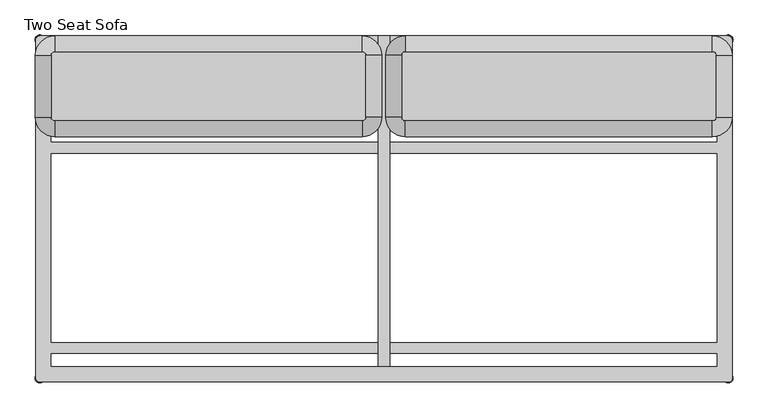
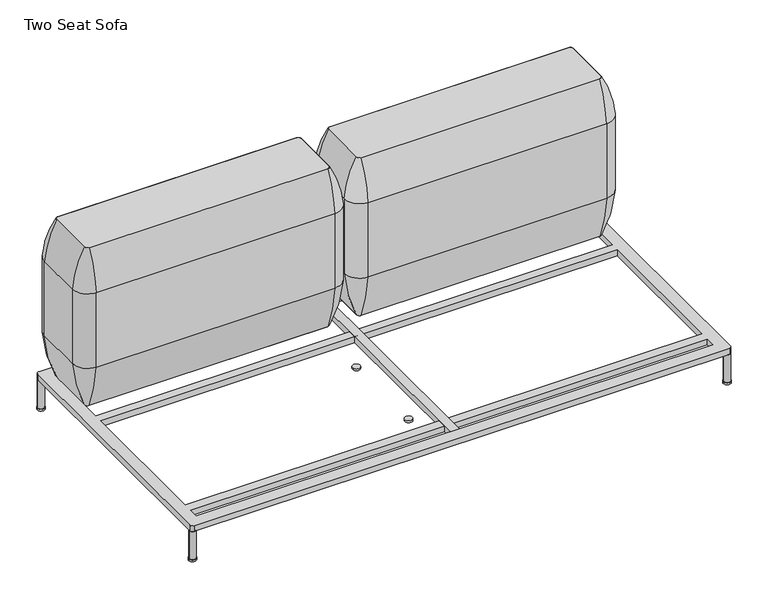
"""IFC4 building model written with IfcOpenShell, lengths in millimetres: furniture geometry, Two Seat Sofa."""

import ifcopenshell
import ifcopenshell.guid

model = None  # the IFC model being written
_history = None  # IfcOwnerHistory: only IFC2X3 demands one
_inside = {}  # id of a spatial element -> (the spatial element, [elements in it])
_under = {}  # id of a project, library or spatial element -> (it, [spatial elements below it])
_declared = {}  # id of a project -> (the project, [libraries it declares])
_typed = {}  # id of a type object -> (the type object, [elements of that type])
_made_of = {}  # id of a material, layer set ... -> (it, [elements and type objects made of it])


def new_model(schema):
    """Start an empty IFC model of exactly this schema.

    Asked for "IFC4X3", IfcOpenShell would pick the latest addendum, in which some entities
    have other attributes; the version numbers below select the first issue.
    IFC2X3 requires an IfcOwnerHistory on every rooted entity: one is made here for all.
    """
    global model, _history
    if schema == "IFC4X3":
        model = ifcopenshell.file(schema_version=(4, 3, 0, 0))
    else:
        model = ifcopenshell.file(schema=schema)
    _inside.clear()
    _under.clear()
    _declared.clear()
    _typed.clear()
    _made_of.clear()
    _history = None
    if model.schema == "IFC2X3":
        org = make("IfcOrganization", Name="unknown")
        user = make(
            "IfcPersonAndOrganization",
            ThePerson=make("IfcPerson", FamilyName="unknown"),
            TheOrganization=org,
        )
        app = make(
            "IfcApplication",
            ApplicationDeveloper=org,
            Version="unknown",
            ApplicationFullName="unknown",
            ApplicationIdentifier="unknown",
        )
        _history = make(
            "IfcOwnerHistory",
            OwningUser=user,
            OwningApplication=app,
            ChangeAction="ADDED",
            CreationDate=0,
        )
    return model


def make(cls, **values):
    """One entity of the class cls with the attributes given. An attribute that is None is left unset."""
    return model.create_entity(
        cls, **{name: value for name, value in values.items() if value is not None}
    )


def rooted(cls, **values):
    """An entity with a GlobalId (a new one), such as an element, a storey or a relation."""
    return make(cls, GlobalId=ifcopenshell.guid.new(), OwnerHistory=_history, **values)


def si_unit(unit_type, name, prefix=None):
    """IfcSIUnit, for example si_unit("LENGTHUNIT", "METRE", prefix="MILLI")."""
    return make("IfcSIUnit", UnitType=unit_type, Prefix=prefix, Name=name)


def assignment(units):
    """IfcUnitAssignment: the units of a project."""
    return None if units is None else make("IfcUnitAssignment", Units=units)


def point(xyz):
    """IfcCartesianPoint."""
    return None if xyz is None else make("IfcCartesianPoint", Coordinates=xyz)


def direction(xyz):
    """IfcDirection."""
    return None if xyz is None else make("IfcDirection", DirectionRatios=xyz)


def frame(location, z_axis=None, x_axis=None):
    """IfcAxis2Placement3D, a coordinate frame: its origin and axes. An axis left out is left unset."""
    return make(
        "IfcAxis2Placement3D",
        Location=point(location),
        Axis=direction(z_axis),
        RefDirection=direction(x_axis),
    )


def frame_2d(location, x_axis=None):
    """IfcAxis2Placement2D, a coordinate frame in the plane: its origin and x axis."""
    return make(
        "IfcAxis2Placement2D", Location=point(location), RefDirection=direction(x_axis)
    )


def origin():
    """The frame at (0, 0, 0) with its axes left unset."""
    return frame((0.0, 0.0, 0.0))


def origin_with_axes():
    """The frame at (0, 0, 0) with the z axis (0, 0, 1) and the x axis (1, 0, 0) written out."""
    return frame((0.0, 0.0, 0.0), z_axis=(0.0, 0.0, 1.0), x_axis=(1.0, 0.0, 0.0))


def place(relative_to, where):
    """IfcLocalPlacement: puts the frame where relative to a parent placement (None: the world)."""
    return make(
        "IfcLocalPlacement", PlacementRelTo=relative_to, RelativePlacement=where
    )


def context(
    kind, dimensions, precision=None, world=None, true_north=None, identifier=None
):
    """IfcGeometricRepresentationContext, for example the 3D "Model" context."""
    return make(
        "IfcGeometricRepresentationContext",
        ContextIdentifier=identifier,
        ContextType=kind,
        CoordinateSpaceDimension=dimensions,
        Precision=precision,
        WorldCoordinateSystem=world,
        TrueNorth=true_north,
    )


def project(units=None, contexts=None):
    """IfcProject with its units and contexts."""
    return rooted(
        "IfcProject",
        Name="project",
        RepresentationContexts=contexts,
        UnitsInContext=assignment(units),
    )


def spatial(cls, under=None, at=None, **own):
    """A site, building, storey or space (cls), placed at a placement, below another one or the project."""
    s = rooted(cls, ObjectPlacement=at, **own)
    if under is not None:
        _under.setdefault(under.id(), (under, []))[1].append(s)
    return s


def polyline(points):
    """IfcPolyline through the points."""
    return make("IfcPolyline", Points=[point(p) for p in points])


def circle_curve(where, radius):
    """IfcCircle in the frame where."""
    return make("IfcCircle", Position=where, Radius=radius)


def ellipse_curve(where, semi_axis1, semi_axis2):
    """IfcEllipse in the frame where."""
    return make(
        "IfcEllipse", Position=where, SemiAxis1=semi_axis1, SemiAxis2=semi_axis2
    )


def trimmed(basis, trim1, trim2, sense, master):
    """IfcTrimmedCurve: the piece of a basis curve between two trims."""
    return make(
        "IfcTrimmedCurve",
        BasisCurve=basis,
        Trim1=trim1,
        Trim2=trim2,
        SenseAgreement=sense,
        MasterRepresentation=master,
    )


def segment(curve, same_sense, transition):
    """IfcCompositeCurveSegment."""
    return make(
        "IfcCompositeCurveSegment",
        Transition=transition,
        SameSense=same_sense,
        ParentCurve=curve,
    )


def composite_curve(segments, self_intersect=None):
    """IfcCompositeCurve: segments joined end to end."""
    return make("IfcCompositeCurve", Segments=segments, SelfIntersect=self_intersect)


def outline(outer, holes=None, kind="AREA"):
    """IfcArbitraryClosedProfileDef: a profile drawn as a closed curve; with holes, ...WithVoids."""
    if holes is None:
        return make("IfcArbitraryClosedProfileDef", ProfileType=kind, OuterCurve=outer)
    return make(
        "IfcArbitraryProfileDefWithVoids",
        ProfileType=kind,
        OuterCurve=outer,
        InnerCurves=holes,
    )


def extrude(swept, where, along, depth):
    """IfcExtrudedAreaSolid: the profile swept, set in the frame where, extruded along a direction by depth."""
    return make(
        "IfcExtrudedAreaSolid",
        SweptArea=swept,
        Position=where,
        ExtrudedDirection=direction(along),
        Depth=depth,
    )


def shape(context_of_items, identifier, shape_type, items):
    """IfcShapeRepresentation: the items that make up one representation, for example the "Body"."""
    return make(
        "IfcShapeRepresentation",
        ContextOfItems=context_of_items,
        RepresentationIdentifier=identifier,
        RepresentationType=shape_type,
        Items=items,
    )


def source(mapping_origin, context_of_items, identifier, shape_type, items):
    """IfcRepresentationMap: a shape defined once, which mapped items show again and again."""
    return make(
        "IfcRepresentationMap",
        MappingOrigin=mapping_origin,
        MappedRepresentation=shape(context_of_items, identifier, shape_type, items),
    )


def transform(
    local_origin,
    x_axis=None,
    y_axis=None,
    z_axis=None,
    scale=None,
    scale2=None,
    scale3=None,
    uniform=True,
):
    """IfcCartesianTransformationOperator3D, or its non-uniform kind. x_axis, y_axis, z_axis: its Axis1, 2, 3."""
    if uniform:
        return make(
            "IfcCartesianTransformationOperator3D",
            Axis1=direction(x_axis),
            Axis2=direction(y_axis),
            LocalOrigin=point(local_origin),
            Scale=scale,
            Axis3=direction(z_axis),
        )
    return make(
        "IfcCartesianTransformationOperator3DnonUniform",
        Axis1=direction(x_axis),
        Axis2=direction(y_axis),
        LocalOrigin=point(local_origin),
        Scale=scale,
        Axis3=direction(z_axis),
        Scale2=scale2,
        Scale3=scale3,
    )


def mapped(mapping_source, mapping_target):
    """IfcMappedItem: shows the shape of a source again, moved by a transform."""
    return make(
        "IfcMappedItem", MappingSource=mapping_source, MappingTarget=mapping_target
    )


def made_of(thing, what):
    """Note that an element or type object is made of a material, layer set ...; save() writes the relation."""
    if what is not None:
        _made_of.setdefault(what.id(), (what, []))[1].append(thing)
    return thing


def element(
    cls,
    number,
    at=None,
    inside=None,
    cuts=None,
    type_object=None,
    material=None,
    context=None,
    identifier="Body",
    shape_type=None,
    held_by="IfcProductDefinitionShape",
    body=None,
    shapes=None,
    **own,
):
    """One element of the class cls, such as IfcWall. Its Tag is "e" and its number.

    at: its placement. inside: the storey or other place that contains it. cuts: it is an
    opening in that element (IfcRelVoidsElement). A single representation is given by context,
    identifier, shape_type and body (its items); several are given by shapes. held_by: the class
    of the entity that holds the representations. save() writes the other relations.
    """
    e = rooted(cls, Tag="e%d" % number, ObjectPlacement=at, **own)
    if body is not None:
        shapes = [shape(context, identifier, shape_type, body)]
    if shapes is not None:
        e.Representation = make(held_by, Representations=shapes)
    if inside is not None:
        _inside.setdefault(inside.id(), (inside, []))[1].append(e)
    if cuts is not None:
        rooted(
            "IfcRelVoidsElement", RelatingBuildingElement=cuts, RelatedOpeningElement=e
        )
    if type_object is not None:
        _typed.setdefault(type_object.id(), (type_object, []))[1].append(e)
    return made_of(e, material)


def aggregate(whole, parts):
    """IfcRelAggregates: a whole, such as a stair, and the parts it consists of."""
    return rooted("IfcRelAggregates", RelatingObject=whole, RelatedObjects=parts)


def save(model, path):
    """Write the relations noted so far, then the file.

    IfcRelAggregates (storeys below a building ...), IfcRelContainedInSpatialStructure (elements
    in a storey), IfcRelDefinesByType, IfcRelAssociatesMaterial and IfcRelDeclares: one each for
    every whole, place, type object, material and project.
    """
    for whole, parts in _under.values():
        aggregate(whole, parts)
    for where, things in _inside.values():
        rooted(
            "IfcRelContainedInSpatialStructure",
            RelatedElements=things,
            RelatingStructure=where,
        )
    for kind, things in _typed.values():
        rooted("IfcRelDefinesByType", RelatedObjects=things, RelatingType=kind)
    for what, things in _made_of.values():
        rooted("IfcRelAssociatesMaterial", RelatedObjects=things, RelatingMaterial=what)
    for by, libraries in _declared.values():
        rooted("IfcRelDeclares", RelatingContext=by, RelatedDefinitions=libraries)
    model.write(path)


def plane_surface(at):
    """IfcPlane: the flat surface through the origin of the frame at, square to its z axis."""
    return make("IfcPlane", Position=at)


def cylinder_surface(at, radius):
    """IfcCylindricalSurface: all points at the distance radius from the z axis of the frame at."""
    return make("IfcCylindricalSurface", Position=at, Radius=radius)


def revolved_surface(curve, axis_point, axis_direction):
    """IfcSurfaceOfRevolution: the curve turned about the line through axis_point along axis_direction."""
    return make(
        "IfcSurfaceOfRevolution",
        SweptCurve=make("IfcArbitraryOpenProfileDef", ProfileType="CURVE", Curve=curve),
        AxisPosition=make("IfcAxis1Placement", Location=point(axis_point), Axis=direction(axis_direction)),
    )


def advanced_brep(points, edges, surfaces, faces):
    """IfcAdvancedBrep: a solid bounded by faces that lie on surfaces and meet in shared edges.

    An edge is (start, end): straight between two places in points (the first is 0);
    or (start, end, curve); or (start, end, curve, False) where it runs against its curve.
    A face is (place in surfaces, loops), or (place, loops, False) where it looks against
    its surface's normal. A loop lists edges by number (the first is 1), with a minus sign
    where the edge is run from its end to its start. The first loop is the outer one.
    """
    corners = [point(p) for p in points]
    vertices = [make("IfcVertexPoint", VertexGeometry=c) for c in corners]
    made = []
    for start, end, *more in edges:
        made.append(
            make(
                "IfcEdgeCurve",
                EdgeStart=vertices[start],
                EdgeEnd=vertices[end],
                EdgeGeometry=more[0] if more else make("IfcPolyline", Points=[corners[start], corners[end]]),
                SameSense=more[1] if len(more) > 1 else True,
            )
        )
    hull = []
    for where, loops, *sense in faces:
        bounds = []
        for j, loop in enumerate(loops):
            ring = [make("IfcOrientedEdge", EdgeElement=made[abs(k) - 1], Orientation=k > 0) for k in loop]
            bounds.append(
                make(
                    "IfcFaceOuterBound" if j == 0 else "IfcFaceBound",
                    Bound=make("IfcEdgeLoop", EdgeList=ring),
                    Orientation=True,
                )
            )
        hull.append(make("IfcAdvancedFace", Bounds=bounds, FaceSurface=surfaces[where], SameSense=sense[0] if sense else True))
    return make("IfcAdvancedBrep", Outer=make("IfcClosedShell", CfsFaces=hull))


def two_seat_sofa_a5a213db(model_context):
    return source(origin(), model_context, "Body", "SolidModel", [
        extrude(outline(composite_curve([segment(trimmed(circle_curve(frame_2d((-155.4452882, -433.7002937)), 12.5000005), [point((-167.9452886, -433.7002937))], [point((-142.9452877, -433.7002937))], False, "CARTESIAN"), True, "CONTINUOUS"), segment(trimmed(circle_curve(frame_2d((-155.4452882, -433.7002937)), 12.5000005), [point((-142.9452877, -433.7002937))], [point((-167.9452886, -433.7002937))], False, "CARTESIAN"), True, "CONTINUOUS")], self_intersect=False)), origin_with_axes(), (0.0, 0.0, 1.0), 6.0),
        extrude(outline(composite_curve([segment(trimmed(circle_curve(frame_2d((-155.4452882, -133.6667163)), 12.5000005), [point((-167.9452886, -133.6667163))], [point((-142.9452877, -133.6667163))], False, "CARTESIAN"), True, "CONTINUOUS"), segment(trimmed(circle_curve(frame_2d((-155.4452882, -133.6667163)), 12.5000005), [point((-142.9452877, -133.6667163))], [point((-167.9452886, -133.6667163))], False, "CARTESIAN"), True, "CONTINUOUS")], self_intersect=False)), origin_with_axes(), (0.0, 0.0, 1.0), 6.0),
        extrude(outline(polyline([(-169.7406049, -696.2002953), (-169.7406049, 153.6358637), (-139.7406192, 153.6358637), (-139.7406192, -696.2002953), (-169.7406049, -696.2002953)])), frame((0.0, 0.0, 103.6569541), z_axis=(0.0, 0.0, 1.0), x_axis=(1.0, 0.0, 0.0)), (0.0, 0.0, 1.0), 20.3430443),
        extrude(outline(composite_curve([segment(trimmed(circle_curve(frame_2d((-1040.100311, 143.787786)), 12.5000005), [point((-1052.6003115, 143.787786))], [point((-1027.6003105, 143.787786))], False, "CARTESIAN"), True, "CONTINUOUS"), segment(trimmed(circle_curve(frame_2d((-1040.100311, 143.787786)), 12.5000005), [point((-1027.6003105, 143.787786))], [point((-1052.6003115, 143.787786))], False, "CARTESIAN"), True, "CONTINUOUS")], self_intersect=False)), origin_with_axes(), (0.0, 0.0, 1.0), 6.0),
        extrude(outline(composite_curve([segment(trimmed(circle_curve(frame_2d((-1040.100311, -726.2491859)), 12.5000005), [point((-1052.6003115, -726.2491859))], [point((-1027.6003105, -726.2491859))], False, "CARTESIAN"), True, "CONTINUOUS"), segment(trimmed(circle_curve(frame_2d((-1040.100311, -726.2491859)), 12.5000005), [point((-1027.6003105, -726.2491859))], [point((-1052.6003115, -726.2491859))], False, "CARTESIAN"), True, "CONTINUOUS")], self_intersect=False)), origin_with_axes(), (0.0, 0.0, 1.0), 6.0),
        extrude(outline(composite_curve([segment(trimmed(circle_curve(frame_2d((730.7972347, 143.787786)), 12.5000005), [point((718.2972342, 143.787786))], [point((743.2972352, 143.787786))], False, "CARTESIAN"), True, "CONTINUOUS"), segment(trimmed(circle_curve(frame_2d((730.7972347, 143.787786)), 12.5000005), [point((743.2972352, 143.787786))], [point((718.2972342, 143.787786))], False, "CARTESIAN"), True, "CONTINUOUS")], self_intersect=False)), origin_with_axes(), (0.0, 0.0, 1.0), 6.0),
        extrude(outline(composite_curve([segment(trimmed(circle_curve(frame_2d((730.7026028, -726.2033172)), 12.5000005), [point((718.2026024, -726.2033172))], [point((743.2026033, -726.2033172))], False, "CARTESIAN"), True, "CONTINUOUS"), segment(trimmed(circle_curve(frame_2d((730.7026028, -726.2033172)), 12.5000005), [point((743.2026033, -726.2033172))], [point((718.2026024, -726.2033172))], False, "CARTESIAN"), True, "CONTINUOUS")], self_intersect=False)), origin_with_axes(), (0.0, 0.0, 1.0), 6.0),
        extrude(outline(composite_curve([segment(trimmed(circle_curve(frame_2d((-1040.100311, 143.787786)), 10.4664203), [point((-1050.5667314, 143.787786))], [point((-1029.6338907, 143.787786))], False, "CARTESIAN"), True, "CONTINUOUS"), segment(trimmed(circle_curve(frame_2d((-1040.100311, 143.787786)), 10.4664203), [point((-1029.6338907, 143.787786))], [point((-1050.5667314, 143.787786))], False, "CARTESIAN"), True, "CONTINUOUS")], self_intersect=False)), origin_with_axes(), (0.0, 0.0, 1.0), 103.6569541),
        extrude(outline(composite_curve([segment(trimmed(circle_curve(frame_2d((730.7717227, -726.1628448)), 10.4664203), [point((720.3053024, -726.1628448))], [point((741.2381431, -726.1628448))], False, "CARTESIAN"), True, "CONTINUOUS"), segment(trimmed(circle_curve(frame_2d((730.7717227, -726.1628448)), 10.4664203), [point((741.2381431, -726.1628448))], [point((720.3053024, -726.1628448))], False, "CARTESIAN"), True, "CONTINUOUS")], self_intersect=False)), origin_with_axes(), (0.0, 0.0, 1.0), 103.6569541),
        extrude(outline(composite_curve([segment(trimmed(circle_curve(frame_2d((730.8502147, 143.7799368)), 10.4664203), [point((720.3837944, 143.7799368))], [point((741.316635, 143.7799368))], False, "CARTESIAN"), True, "CONTINUOUS"), segment(trimmed(circle_curve(frame_2d((730.8502147, 143.7799368)), 10.4664203), [point((741.316635, 143.7799368))], [point((720.3837944, 143.7799368))], False, "CARTESIAN"), True, "CONTINUOUS")], self_intersect=False)), origin_with_axes(), (0.0, 0.0, 1.0), 103.6569541),
        extrude(outline(composite_curve([segment(trimmed(circle_curve(frame_2d((-1040.0289857, -726.0945909)), 10.4664203), [point((-1050.4954061, -726.0945909))], [point((-1029.5625654, -726.0945909))], False, "CARTESIAN"), True, "CONTINUOUS"), segment(trimmed(circle_curve(frame_2d((-1040.0289857, -726.0945909)), 10.4664203), [point((-1029.5625654, -726.0945909))], [point((-1050.4954061, -726.0945909))], False, "CARTESIAN"), True, "CONTINUOUS")], self_intersect=False)), origin_with_axes(), (0.0, 0.0, 1.0), 103.6569541),
        extrude(outline(composite_curve([segment(polyline([(-1040.5463796, 153.6358637), (731.0651554, 153.6358637)]), True, "CONTINUOUS"), segment(trimmed(circle_curve(frame_2d((731.0651554, 144.0819322)), 9.5539314), [point((731.0651554, 153.6358637))], [point((740.6190868, 144.0819322))], False, "CARTESIAN"), True, "CONTINUOUS"), segment(polyline([(740.6190868, 144.0819322), (740.6190868, -728.9954927)]), True, "CONTINUOUS"), segment(trimmed(circle_curve(frame_2d((733.4261728, -728.9954927)), 7.192914), [point((740.6190868, -728.9954927))], [point((733.4261728, -736.1884068))], False, "CARTESIAN"), True, "CONTINUOUS"), segment(polyline([(733.4261728, -736.1884068), (-1040.2975349, -736.1884068)]), True, "CONTINUOUS"), segment(trimmed(circle_curve(frame_2d((-1040.2975349, -726.3856306)), 9.8027761), [point((-1040.2975349, -736.1884068))], [point((-1050.100311, -726.3856306))], False, "CARTESIAN"), True, "CONTINUOUS"), segment(polyline([(-1050.100311, -726.3856306), (-1050.100311, 144.0819322)]), True, "CONTINUOUS"), segment(trimmed(circle_curve(frame_2d((-1040.5463796, 144.0819322)), 9.5539314), [point((-1050.100311, 144.0819322))], [point((-1040.5463796, 153.6358637))], False, "CARTESIAN"), True, "CONTINUOUS")], self_intersect=False), holes=[polyline([(-1010.1122296, -663.7579623), (-1010.1122296, -696.2002953), (700.7208076, -696.2002953), (700.7208076, -663.7579623), (-1010.1122296, -663.7579623)]), polyline([(-1010.1122296, 113.7997046), (-1010.1122296, 81.2997034), (700.7208076, 81.2997034), (700.7208076, 113.7997046), (-1010.1122296, 113.7997046)]), polyline([(-1010.1122296, -148.700302), (-1010.1122296, -633.7579584), (700.7208076, -633.7579584), (700.7208076, -148.700302), (-1010.1122296, -148.700302)]), polyline([(700.7208076, 51.2996995), (-1010.1122296, 51.2996995), (-1010.1122296, -118.7002981), (700.7208076, -118.7002981), (700.7208076, 51.2996995)])]), frame((0.0, 0.0, 103.6569541), z_axis=(0.0, 0.0, 1.0), x_axis=(1.0, 0.0, 0.0)), (0.0, 0.0, 1.0), 20.3430443),
        advanced_brep(
        [(-1051.4768538, 103.5149266, 283.1115097), (-1051.4768538, -55.2078555, 283.1115097), (-1051.4768538, -55.2078555, 543.4615097), (-1051.4768538, 103.5149266, 543.4615097), (-1010.7505465, 103.5149266, 123.9999984), (-1010.7505465, -55.2078555, 123.9999984), (-1010.7505465, 103.5149266, 676.7599216), (-1010.7505465, -55.2078555, 676.7599216), (-1000.9254713, -105.759238, 283.1115097), (-211.1988444, -105.759238, 283.1115097), (-211.1988444, -105.759238, 543.4615097), (-1000.9254713, -105.759238, 543.4615097), (-1000.9254713, -65.0329307, 123.9999984), (-211.1988444, -65.0329307, 123.9999984), (-1000.9254713, -65.0329307, 676.7599216), (-211.1988444, -65.0329307, 676.7599216), (-160.6474619, -55.2078555, 283.1115097), (-160.6474619, 103.5149266, 283.1115097), (-160.6474619, 103.5149266, 543.4615097), (-160.6474619, -55.2078555, 543.4615097), (-201.3737692, -55.2078555, 123.9999984), (-201.3737692, 103.5149266, 123.9999984), (-201.3737692, -55.2078555, 676.7599216), (-201.3737692, 103.5149266, 676.7599216), (-211.1988444, 154.0663091, 283.1115097), (-1000.9254713, 154.0663091, 283.1115097), (-1000.9254713, 154.0663091, 543.4615097), (-211.1988444, 154.0663091, 543.4615097), (-211.1988444, 113.3400018, 123.9999984), (-1000.9254713, 113.3400018, 123.9999984), (-211.1988444, 113.3400018, 676.7599216), (-1000.9254713, 113.3400018, 676.7599216)],
        [
            (0, 1),
            (1, 2, circle_curve(frame((755.0107884, -55.2078555, 413.2865097), z_axis=(0.0, 1.0, 0.0), x_axis=(-1.0, 0.0, 0.0)), 1811.1717567)),
            (2, 3),
            (3, 0, circle_curve(frame((755.0107884, 103.5149266, 413.2865097), z_axis=(0.0, -1.0, 0.0), x_axis=(-1.0, 0.0, 0.0)), 1811.1717567)),
            (4, 5),
            (5, 1, circle_curve(frame((-590.5337586, -55.2078555, 316.3269417), z_axis=(0.0, 1.0, 0.0), x_axis=(-1.0, 0.0, 0.0)), 462.1382931)),
            (0, 4, circle_curve(frame((-590.5337586, 103.5149266, 316.3269417), z_axis=(0.0, -1.0, 0.0), x_axis=(-1.0, 0.0, 0.0)), 462.1382931)),
            (6, 7),
            (7, 5),
            (4, 6),
            (8, 9),
            (9, 10, circle_curve(frame((-211.1988444, 1700.7284043, 413.2865097), z_axis=(-1.0, 0.0, 0.0), x_axis=(0.0, -1.0, 0.0)), 1811.1717567)),
            (10, 11),
            (11, 8, circle_curve(frame((-1000.9254713, 1700.7284043, 413.2865097), z_axis=(1.0, 0.0, 0.0), x_axis=(0.0, -1.0, 0.0)), 1811.1717567)),
            (12, 13),
            (13, 9, circle_curve(frame((-211.1988444, 355.1838572, 316.3269417), z_axis=(-1.0, 0.0, 0.0), x_axis=(0.0, -1.0, 0.0)), 462.1382931)),
            (8, 12, circle_curve(frame((-1000.9254713, 355.1838572, 316.3269417), z_axis=(1.0, 0.0, 0.0), x_axis=(0.0, -1.0, 0.0)), 462.1382931)),
            (14, 15),
            (15, 13),
            (12, 14),
            (16, 17),
            (17, 18, circle_curve(frame((-1967.1351041, 103.5149266, 413.2865097), z_axis=(0.0, -1.0, 0.0), x_axis=(1.0, 0.0, 0.0)), 1811.1717567)),
            (18, 19),
            (19, 16, circle_curve(frame((-1967.1351041, -55.2078555, 413.2865097), z_axis=(0.0, 1.0, 0.0), x_axis=(1.0, 0.0, 0.0)), 1811.1717567)),
            (20, 21),
            (21, 17, circle_curve(frame((-621.5905571, 103.5149266, 316.3269417), z_axis=(0.0, -1.0, 0.0), x_axis=(1.0, 0.0, 0.0)), 462.1382931)),
            (16, 20, circle_curve(frame((-621.5905571, -55.2078555, 316.3269417), z_axis=(0.0, 1.0, 0.0), x_axis=(1.0, 0.0, 0.0)), 462.1382931)),
            (22, 23),
            (23, 21),
            (20, 22),
            (24, 25),
            (25, 26, circle_curve(frame((-1000.9254713, -1652.4213331, 413.2865097), z_axis=(1.0, 0.0, 0.0), x_axis=(0.0, 1.0, 0.0)), 1811.1717567)),
            (26, 27),
            (27, 24, circle_curve(frame((-211.1988444, -1652.4213331, 413.2865097), z_axis=(-1.0, 0.0, 0.0), x_axis=(0.0, 1.0, 0.0)), 1811.1717567)),
            (28, 29),
            (29, 25, circle_curve(frame((-1000.9254713, -306.8767861, 316.3269417), z_axis=(1.0, 0.0, 0.0), x_axis=(0.0, 1.0, 0.0)), 462.1382931)),
            (24, 28, circle_curve(frame((-211.1988444, -306.8767861, 316.3269417), z_axis=(-1.0, 0.0, 0.0), x_axis=(0.0, 1.0, 0.0)), 462.1382931)),
            (30, 31),
            (31, 29),
            (28, 30),
            (3, 26, circle_curve(frame((-1000.9254713, 103.5149266, 543.4615097), z_axis=(0.0, 0.0, -1.0), x_axis=(0.0, 1.0, 0.0)), 50.5513825)),
            (25, 0, circle_curve(frame((-1000.9254713, 103.5149266, 283.1115097), z_axis=(0.0, 0.0, 1.0), x_axis=(0.0, 1.0, 0.0)), 50.5513825)),
            (29, 4, circle_curve(frame((-1000.9254713, 103.5149266, 123.9999984), z_axis=(0.0, 0.0, 1.0), x_axis=(0.0, 1.0, 0.0)), 9.8250752)),
            (31, 6, circle_curve(frame((-1000.9254713, 103.5149266, 676.7599216), z_axis=(0.0, 0.0, 1.0), x_axis=(0.0, 1.0, 0.0)), 9.8250752)),
            (11, 2, circle_curve(frame((-1000.9254713, -55.2078555, 543.4615097), z_axis=(0.0, 0.0, -1.0), x_axis=(-1.0, 0.0, 0.0)), 50.5513825)),
            (1, 8, circle_curve(frame((-1000.9254713, -55.2078555, 283.1115097), z_axis=(0.0, 0.0, 1.0), x_axis=(-1.0, 0.0, 0.0)), 50.5513825)),
            (5, 12, circle_curve(frame((-1000.9254713, -55.2078555, 123.9999984), z_axis=(0.0, 0.0, 1.0), x_axis=(-1.0, 0.0, 0.0)), 9.8250752)),
            (7, 14, circle_curve(frame((-1000.9254713, -55.2078555, 676.7599216), z_axis=(0.0, 0.0, 1.0), x_axis=(-1.0, 0.0, 0.0)), 9.8250752)),
            (19, 10, circle_curve(frame((-211.1988444, -55.2078555, 543.4615097), z_axis=(0.0, 0.0, -1.0), x_axis=(0.0, -1.0, 0.0)), 50.5513825)),
            (9, 16, circle_curve(frame((-211.1988444, -55.2078555, 283.1115097), z_axis=(0.0, 0.0, 1.0), x_axis=(0.0, -1.0, 0.0)), 50.5513825)),
            (13, 20, circle_curve(frame((-211.1988444, -55.2078555, 123.9999984), z_axis=(0.0, 0.0, 1.0), x_axis=(0.0, -1.0, 0.0)), 9.8250752)),
            (15, 22, circle_curve(frame((-211.1988444, -55.2078555, 676.7599216), z_axis=(0.0, 0.0, 1.0), x_axis=(0.0, -1.0, 0.0)), 9.8250752)),
            (27, 18, circle_curve(frame((-211.1988444, 103.5149266, 543.4615097), z_axis=(0.0, 0.0, -1.0), x_axis=(1.0, 0.0, 0.0)), 50.5513825)),
            (17, 24, circle_curve(frame((-211.1988444, 103.5149266, 283.1115097), z_axis=(0.0, 0.0, 1.0), x_axis=(1.0, 0.0, 0.0)), 50.5513825)),
            (21, 28, circle_curve(frame((-211.1988444, 103.5149266, 123.9999984), z_axis=(0.0, 0.0, 1.0), x_axis=(1.0, 0.0, 0.0)), 9.8250752)),
            (23, 30, circle_curve(frame((-211.1988444, 103.5149266, 676.7599216), z_axis=(0.0, 0.0, 1.0), x_axis=(1.0, 0.0, 0.0)), 9.8250752)),
            (3, 6, circle_curve(frame((-739.3534366, 103.5149266, 520.9699825), z_axis=(0.0, 1.0, 0.0), x_axis=(-1.0, 0.0, 0.0)), 312.9327346)),
            (31, 26, circle_curve(frame((-1000.9254713, -158.0571081, 520.9699825), z_axis=(-1.0, 0.0, 0.0), x_axis=(0.0, 1.0, 0.0)), 312.9327346)),
            (2, 7, circle_curve(frame((-739.3534366, -55.2078555, 520.9699825), z_axis=(0.0, 1.0, 0.0), x_axis=(-1.0, 0.0, 0.0)), 312.9327346)),
            (11, 14, circle_curve(frame((-1000.9254713, 206.3641793, 520.9699825), z_axis=(-1.0, 0.0, 0.0), x_axis=(0.0, -1.0, 0.0)), 312.9327346)),
            (10, 15, circle_curve(frame((-211.1988444, 206.3641793, 520.9699825), z_axis=(-1.0, 0.0, 0.0), x_axis=(0.0, -1.0, 0.0)), 312.9327346)),
            (19, 22, circle_curve(frame((-472.7708791, -55.2078555, 520.9699825), z_axis=(0.0, -1.0, 0.0), x_axis=(1.0, 0.0, 0.0)), 312.9327346)),
            (18, 23, circle_curve(frame((-472.7708791, 103.5149266, 520.9699825), z_axis=(0.0, -1.0, 0.0), x_axis=(1.0, 0.0, 0.0)), 312.9327346)),
            (27, 30, circle_curve(frame((-211.1988444, -158.0571081, 520.9699825), z_axis=(1.0, 0.0, 0.0), x_axis=(0.0, 1.0, 0.0)), 312.9327346)),
        ],
        [
            cylinder_surface(frame((755.0107884, 103.5149266, 413.2865097), z_axis=(0.0, 1.0, 0.0), x_axis=(-1.0, 0.0, 0.0)), 1811.1717567),
            cylinder_surface(frame((-590.5337586, 103.5149266, 316.3269417), z_axis=(0.0, 1.0, 0.0), x_axis=(-1.0, 0.0, 0.0)), 462.1382931),
            plane_surface(frame((-1010.7505465, 103.5149266, 123.9999984), z_axis=(1.0, 0.0, 0.0), x_axis=(0.0, -1.0, 0.0))),
            cylinder_surface(frame((-1000.9254713, 1700.7284043, 413.2865097), z_axis=(-1.0, 0.0, 0.0), x_axis=(0.0, -1.0, 0.0)), 1811.1717567),
            cylinder_surface(frame((-1000.9254713, 355.1838572, 316.3269417), z_axis=(-1.0, 0.0, 0.0), x_axis=(0.0, -1.0, 0.0)), 462.1382931),
            plane_surface(frame((-1000.9254713, -65.0329307, 123.9999984), z_axis=(0.0, 1.0, 0.0), x_axis=(1.0, 0.0, 0.0))),
            cylinder_surface(frame((-1967.1351041, -55.2078555, 413.2865097), z_axis=(0.0, -1.0, 0.0), x_axis=(1.0, 0.0, 0.0)), 1811.1717567),
            cylinder_surface(frame((-621.5905571, -55.2078555, 316.3269417), z_axis=(0.0, -1.0, 0.0), x_axis=(1.0, 0.0, 0.0)), 462.1382931),
            plane_surface(frame((-201.3737692, -55.2078555, 123.9999984), z_axis=(-1.0, 0.0, 0.0), x_axis=(0.0, 1.0, 0.0))),
            cylinder_surface(frame((-211.1988444, -1652.4213331, 413.2865097), z_axis=(1.0, 0.0, 0.0), x_axis=(0.0, 1.0, 0.0)), 1811.1717567),
            cylinder_surface(frame((-211.1988444, -306.8767861, 316.3269417), z_axis=(1.0, 0.0, 0.0), x_axis=(0.0, 1.0, 0.0)), 462.1382931),
            plane_surface(frame((-211.1988444, 113.3400018, 123.9999984), z_axis=(0.0, -1.0, 0.0), x_axis=(-1.0, 0.0, 0.0))),
            revolved_surface(trimmed(ellipse_curve(frame((-1000.9254713, -1652.4213331, 413.2865097), z_axis=(-1.0, 0.0, 0.0), x_axis=(0.0, 1.0, 0.0)), 1811.1717567, 1811.1717567), [point((-1000.9254713, 154.0663091, 543.4615097))], [point((-1000.9254713, 154.0663091, 283.1115097))], True, "CARTESIAN"), (-1000.9254713, 103.5149266, -1.2587073), (0.0, 0.0, -1.0)),
            revolved_surface(trimmed(ellipse_curve(frame((-1000.9254713, -306.8767861, 316.3269417), z_axis=(-1.0, 0.0, 0.0), x_axis=(0.0, 1.0, 0.0)), 462.1382931, 462.1382931), [point((-1000.9254713, 154.0663091, 283.1115097))], [point((-1000.9254713, 113.3400018, 123.9999984))], True, "CARTESIAN"), (-1000.9254713, 103.5149266, -1.2587073), (0.0, 0.0, -1.0)),
            revolved_surface(polyline([(-1000.9254713, 113.3400018, 123.9999984), (-1000.9254713, 113.3400018, 676.7599216)]), (-1000.9254713, 103.5149266, -1.2587073), (0.0, 0.0, -1.0)),
            revolved_surface(trimmed(ellipse_curve(frame((755.0107884, -55.2078555, 413.2865097), z_axis=(0.0, -1.0, 0.0), x_axis=(-1.0, 0.0, 0.0)), 1811.1717567, 1811.1717567), [point((-1051.4768538, -55.2078555, 543.4615097))], [point((-1051.4768538, -55.2078555, 283.1115097))], True, "CARTESIAN"), (-1000.9254713, -55.2078555, -1.2587073), (0.0, 0.0, -1.0)),
            revolved_surface(trimmed(ellipse_curve(frame((-590.5337586, -55.2078555, 316.3269417), z_axis=(0.0, -1.0, 0.0), x_axis=(-1.0, 0.0, 0.0)), 462.1382931, 462.1382931), [point((-1051.4768538, -55.2078555, 283.1115097))], [point((-1010.7505465, -55.2078555, 123.9999984))], True, "CARTESIAN"), (-1000.9254713, -55.2078555, -1.2587073), (0.0, 0.0, -1.0)),
            revolved_surface(polyline([(-1010.7505465, -55.2078555, 123.9999984), (-1010.7505465, -55.2078555, 676.7599216)]), (-1000.9254713, -55.2078555, -1.2587073), (0.0, 0.0, -1.0)),
            revolved_surface(trimmed(ellipse_curve(frame((-211.1988444, 1700.7284043, 413.2865097), z_axis=(1.0, 0.0, 0.0), x_axis=(0.0, -1.0, 0.0)), 1811.1717567, 1811.1717567), [point((-211.1988444, -105.759238, 543.4615097))], [point((-211.1988444, -105.759238, 283.1115097))], True, "CARTESIAN"), (-211.1988444, -55.2078555, -1.2587073), (0.0, 0.0, -1.0)),
            revolved_surface(trimmed(ellipse_curve(frame((-211.1988444, 355.1838572, 316.3269417), z_axis=(1.0, 0.0, 0.0), x_axis=(0.0, -1.0, 0.0)), 462.1382931, 462.1382931), [point((-211.1988444, -105.759238, 283.1115097))], [point((-211.1988444, -65.0329307, 123.9999984))], True, "CARTESIAN"), (-211.1988444, -55.2078555, -1.2587073), (0.0, 0.0, -1.0)),
            revolved_surface(polyline([(-211.1988444, -65.03293070000001, 123.9999984), (-211.1988444, -65.03293070000001, 676.7599216)]), (-211.1988444, -55.2078555, -1.2587073), (0.0, 0.0, -1.0)),
            revolved_surface(trimmed(ellipse_curve(frame((-1967.1351041, 103.5149266, 413.2865097), z_axis=(0.0, 1.0, 0.0), x_axis=(1.0, 0.0, 0.0)), 1811.1717567, 1811.1717567), [point((-160.6474619, 103.5149266, 543.4615097))], [point((-160.6474619, 103.5149266, 283.1115097))], True, "CARTESIAN"), (-211.1988444, 103.5149266, -1.2587073), (0.0, 0.0, -1.0)),
            revolved_surface(trimmed(ellipse_curve(frame((-621.5905571, 103.5149266, 316.3269417), z_axis=(0.0, 1.0, 0.0), x_axis=(1.0, 0.0, 0.0)), 462.1382931, 462.1382931), [point((-160.6474619, 103.5149266, 283.1115097))], [point((-201.3737692, 103.5149266, 123.9999984))], True, "CARTESIAN"), (-211.1988444, 103.5149266, -1.2587073), (0.0, 0.0, -1.0)),
            revolved_surface(polyline([(-201.37376920000003, 103.5149266, 123.9999984), (-201.37376920000003, 103.5149266, 676.7599216)]), (-211.1988444, 103.5149266, -1.2587073), (0.0, 0.0, -1.0)),
            revolved_surface(trimmed(ellipse_curve(frame((-1000.9254713, -158.0571081, 520.9699825), z_axis=(-1.0, 0.0, 0.0), x_axis=(0.0, 1.0, 0.0)), 312.9327346, 312.9327346), [point((-1000.9254713, 113.3400018, 676.7599216))], [point((-1000.9254713, 154.0663091, 543.4615097))], True, "CARTESIAN"), (-1000.9254713, 103.5149266, -1.2587073), (0.0, 0.0, -1.0)),
            cylinder_surface(frame((-739.3534366, 103.5149266, 520.9699825), z_axis=(0.0, 1.0, 0.0), x_axis=(-1.0, 0.0, 0.0)), 312.9327346),
            revolved_surface(trimmed(ellipse_curve(frame((-739.3534366, -55.2078555, 520.9699825), z_axis=(0.0, -1.0, 0.0), x_axis=(-1.0, 0.0, 0.0)), 312.9327346, 312.9327346), [point((-1010.7505465, -55.2078555, 676.7599216))], [point((-1051.4768538, -55.2078555, 543.4615097))], True, "CARTESIAN"), (-1000.9254713, -55.2078555, -1.2587073), (0.0, 0.0, -1.0)),
            cylinder_surface(frame((-1000.9254713, 206.3641793, 520.9699825), z_axis=(-1.0, 0.0, 0.0), x_axis=(0.0, -1.0, 0.0)), 312.9327346),
            revolved_surface(trimmed(ellipse_curve(frame((-211.1988444, 206.3641793, 520.9699825), z_axis=(1.0, 0.0, 0.0), x_axis=(0.0, -1.0, 0.0)), 312.9327346, 312.9327346), [point((-211.1988444, -65.0329307, 676.7599216))], [point((-211.1988444, -105.759238, 543.4615097))], True, "CARTESIAN"), (-211.1988444, -55.2078555, -1.2587073), (0.0, 0.0, -1.0)),
            cylinder_surface(frame((-472.7708791, -55.2078555, 520.9699825), z_axis=(0.0, -1.0, 0.0), x_axis=(1.0, 0.0, 0.0)), 312.9327346),
            revolved_surface(trimmed(ellipse_curve(frame((-472.7708791, 103.5149266, 520.9699825), z_axis=(0.0, 1.0, 0.0), x_axis=(1.0, 0.0, 0.0)), 312.9327346, 312.9327346), [point((-201.3737692, 103.5149266, 676.7599216))], [point((-160.6474619, 103.5149266, 543.4615097))], True, "CARTESIAN"), (-211.1988444, 103.5149266, -1.2587073), (0.0, 0.0, -1.0)),
            cylinder_surface(frame((-211.1988444, -158.0571081, 520.9699825), z_axis=(1.0, 0.0, 0.0), x_axis=(0.0, 1.0, 0.0)), 312.9327346),
        ],
        [
            (0, [[1, 2, 3, 4]]),
            (1, [[5, 6, -1, 7]]),
            (2, [[8, 9, -5, 10]]),
            (3, [[11, 12, 13, 14]]),
            (4, [[15, 16, -11, 17]]),
            (5, [[18, 19, -15, 20]]),
            (6, [[21, 22, 23, 24]]),
            (7, [[25, 26, -21, 27]]),
            (8, [[28, 29, -25, 30]]),
            (9, [[31, 32, 33, 34]]),
            (10, [[35, 36, -31, 37]]),
            (11, [[38, 39, -35, 40]]),
            (12, [[-4, 41, -32, 42]]),
            (13, [[-7, -42, -36, 43]]),
            (14, [[-10, -43, -39, 44]]),
            (15, [[-14, 45, -2, 46]]),
            (16, [[-17, -46, -6, 47]]),
            (17, [[-20, -47, -9, 48]]),
            (18, [[-24, 49, -12, 50]]),
            (19, [[-27, -50, -16, 51]]),
            (20, [[-30, -51, -19, 52]]),
            (21, [[-34, 53, -22, 54]]),
            (22, [[-37, -54, -26, 55]]),
            (23, [[-40, -55, -29, 56]]),
            (24, [[57, -44, 58, -41]]),
            (25, [[-3, 59, -8, -57]]),
            (26, [[60, -48, -59, -45]]),
            (27, [[-13, 61, -18, -60]]),
            (28, [[62, -52, -61, -49]]),
            (29, [[-23, 63, -28, -62]]),
            (30, [[64, -56, -63, -53]]),
            (31, [[-33, -58, -38, -64]]),
        ],
    ),
        extrude(outline(composite_curve([segment(trimmed(circle_curve(frame_2d((-211.1988444, -55.2078555)), 9.8250752), [point((-201.3737692, -55.2078555))], [point((-211.1988444, -65.0329307))], False, "CARTESIAN"), True, "CONTINUOUS"), segment(polyline([(-211.1988444, -65.0329307), (-1000.9254713, -65.0329307)]), True, "CONTINUOUS"), segment(trimmed(circle_curve(frame_2d((-1000.9254713, -55.2078555)), 9.8250752), [point((-1000.9254713, -65.0329307))], [point((-1010.7505465, -55.2078555))], False, "CARTESIAN"), True, "CONTINUOUS"), segment(polyline([(-1010.7505465, -55.2078555), (-1010.7505465, 103.5149266)]), True, "CONTINUOUS"), segment(trimmed(circle_curve(frame_2d((-1000.9254713, 103.5149266)), 9.8250752), [point((-1010.7505465, 103.5149266))], [point((-1000.9254713, 113.3400018))], False, "CARTESIAN"), True, "CONTINUOUS"), segment(polyline([(-1000.9254713, 113.3400018), (-211.1988444, 113.3400018)]), True, "CONTINUOUS"), segment(trimmed(circle_curve(frame_2d((-211.1988444, 103.5149266)), 9.8250752), [point((-211.1988444, 113.3400018))], [point((-201.3737692, 103.5149266))], False, "CARTESIAN"), True, "CONTINUOUS"), segment(polyline([(-201.3737692, 103.5149266), (-201.3737692, -55.2078555)]), True, "CONTINUOUS")], self_intersect=False)), frame((0.0, 0.0, 123.9999984), z_axis=(0.0, 0.0, 1.0), x_axis=(1.0, 0.0, 0.0)), (0.0, 0.0, 1.0), 552.7599232),
        advanced_brep(
        [(740.5862775, 103.5149266, 283.1115097), (740.5862775, 103.5149266, 543.4615097), (740.5862775, -55.2078555, 543.4615097), (740.5862775, -55.2078555, 283.1115097), (699.8599702, 103.5149266, 123.9999984), (699.8599702, -55.2078555, 123.9999984), (699.8599702, 103.5149266, 676.7599216), (699.8599702, -55.2078555, 676.7599216), (690.034895, -105.759238, 283.1115097), (690.034895, -105.759238, 543.4615097), (-99.6917319, -105.759238, 543.4615097), (-99.6917319, -105.759238, 283.1115097), (690.034895, -65.0329307, 123.9999984), (-99.6917319, -65.0329307, 123.9999984), (690.034895, -65.0329307, 676.7599216), (-99.6917319, -65.0329307, 676.7599216), (-150.2431144, -55.2078555, 283.1115097), (-150.2431144, -55.2078555, 543.4615097), (-150.2431144, 103.5149266, 543.4615097), (-150.2431144, 103.5149266, 283.1115097), (-109.5168071, -55.2078555, 123.9999984), (-109.5168071, 103.5149266, 123.9999984), (-109.5168071, -55.2078555, 676.7599216), (-109.5168071, 103.5149266, 676.7599216), (-99.6917319, 154.0663091, 283.1115097), (-99.6917319, 154.0663091, 543.4615097), (690.034895, 154.0663091, 543.4615097), (690.034895, 154.0663091, 283.1115097), (-99.6917319, 113.3400018, 123.9999984), (690.034895, 113.3400018, 123.9999984), (-99.6917319, 113.3400018, 676.7599216), (690.034895, 113.3400018, 676.7599216)],
        [
            (0, 1, circle_curve(frame((-1065.9013647, 103.5149266, 413.2865097), z_axis=(0.0, -1.0, 0.0), x_axis=(1.0, 0.0, 0.0)), 1811.1717567)),
            (1, 2),
            (2, 3, circle_curve(frame((-1065.9013647, -55.2078555, 413.2865097), z_axis=(0.0, 1.0, 0.0), x_axis=(1.0, 0.0, 0.0)), 1811.1717567)),
            (3, 0),
            (4, 0, circle_curve(frame((279.6431823, 103.5149266, 316.3269417), z_axis=(0.0, -1.0, 0.0), x_axis=(1.0, 0.0, 0.0)), 462.1382931)),
            (3, 5, circle_curve(frame((279.6431823, -55.2078555, 316.3269417), z_axis=(0.0, 1.0, 0.0), x_axis=(1.0, 0.0, 0.0)), 462.1382931)),
            (5, 4),
            (6, 4),
            (5, 7),
            (7, 6),
            (8, 9, circle_curve(frame((690.034895, 1700.7284043, 413.2865097), z_axis=(-1.0, 0.0, 0.0), x_axis=(0.0, -1.0, 0.0)), 1811.1717567)),
            (9, 10),
            (10, 11, circle_curve(frame((-99.6917319, 1700.7284043, 413.2865097), z_axis=(1.0, 0.0, 0.0), x_axis=(0.0, -1.0, 0.0)), 1811.1717567)),
            (11, 8),
            (12, 8, circle_curve(frame((690.034895, 355.1838572, 316.3269417), z_axis=(-1.0, 0.0, 0.0), x_axis=(0.0, -1.0, 0.0)), 462.1382931)),
            (11, 13, circle_curve(frame((-99.6917319, 355.1838572, 316.3269417), z_axis=(1.0, 0.0, 0.0), x_axis=(0.0, -1.0, 0.0)), 462.1382931)),
            (13, 12),
            (14, 12),
            (13, 15),
            (15, 14),
            (16, 17, circle_curve(frame((1656.2445278, -55.2078555, 413.2865097), z_axis=(0.0, 1.0, 0.0), x_axis=(-1.0, 0.0, 0.0)), 1811.1717567)),
            (17, 18),
            (18, 19, circle_curve(frame((1656.2445278, 103.5149266, 413.2865097), z_axis=(0.0, -1.0, 0.0), x_axis=(-1.0, 0.0, 0.0)), 1811.1717567)),
            (19, 16),
            (20, 16, circle_curve(frame((310.6999808, -55.2078555, 316.3269417), z_axis=(0.0, 1.0, 0.0), x_axis=(-1.0, 0.0, 0.0)), 462.1382931)),
            (19, 21, circle_curve(frame((310.6999808, 103.5149266, 316.3269417), z_axis=(0.0, -1.0, 0.0), x_axis=(-1.0, 0.0, 0.0)), 462.1382931)),
            (21, 20),
            (22, 20),
            (21, 23),
            (23, 22),
            (24, 25, circle_curve(frame((-99.6917319, -1652.4213331, 413.2865097), z_axis=(1.0, 0.0, 0.0), x_axis=(0.0, 1.0, 0.0)), 1811.1717567)),
            (25, 26),
            (26, 27, circle_curve(frame((690.034895, -1652.4213331, 413.2865097), z_axis=(-1.0, 0.0, 0.0), x_axis=(0.0, 1.0, 0.0)), 1811.1717567)),
            (27, 24),
            (28, 24, circle_curve(frame((-99.6917319, -306.8767861, 316.3269417), z_axis=(1.0, 0.0, 0.0), x_axis=(0.0, 1.0, 0.0)), 462.1382931)),
            (27, 29, circle_curve(frame((690.034895, -306.8767861, 316.3269417), z_axis=(-1.0, 0.0, 0.0), x_axis=(0.0, 1.0, 0.0)), 462.1382931)),
            (29, 28),
            (30, 28),
            (29, 31),
            (31, 30),
            (0, 27, circle_curve(frame((690.034895, 103.5149266, 283.1115097), z_axis=(0.0, 0.0, 1.0), x_axis=(0.0, 1.0, 0.0)), 50.5513825)),
            (26, 1, circle_curve(frame((690.034895, 103.5149266, 543.4615097), z_axis=(0.0, 0.0, -1.0), x_axis=(0.0, 1.0, 0.0)), 50.5513825)),
            (4, 29, circle_curve(frame((690.034895, 103.5149266, 123.9999984), z_axis=(0.0, 0.0, 1.0), x_axis=(0.0, 1.0, 0.0)), 9.8250752)),
            (6, 31, circle_curve(frame((690.034895, 103.5149266, 676.7599216), z_axis=(0.0, 0.0, 1.0), x_axis=(0.0, 1.0, 0.0)), 9.8250752)),
            (8, 3, circle_curve(frame((690.034895, -55.2078555, 283.1115097), z_axis=(0.0, 0.0, 1.0), x_axis=(1.0, 0.0, 0.0)), 50.5513825)),
            (2, 9, circle_curve(frame((690.034895, -55.2078555, 543.4615097), z_axis=(0.0, 0.0, -1.0), x_axis=(1.0, 0.0, 0.0)), 50.5513825)),
            (12, 5, circle_curve(frame((690.034895, -55.2078555, 123.9999984), z_axis=(0.0, 0.0, 1.0), x_axis=(1.0, 0.0, 0.0)), 9.8250752)),
            (14, 7, circle_curve(frame((690.034895, -55.2078555, 676.7599216), z_axis=(0.0, 0.0, 1.0), x_axis=(1.0, 0.0, 0.0)), 9.8250752)),
            (16, 11, circle_curve(frame((-99.6917319, -55.2078555, 283.1115097), z_axis=(0.0, 0.0, 1.0), x_axis=(0.0, -1.0, 0.0)), 50.5513825)),
            (10, 17, circle_curve(frame((-99.6917319, -55.2078555, 543.4615097), z_axis=(0.0, 0.0, -1.0), x_axis=(0.0, -1.0, 0.0)), 50.5513825)),
            (20, 13, circle_curve(frame((-99.6917319, -55.2078555, 123.9999984), z_axis=(0.0, 0.0, 1.0), x_axis=(0.0, -1.0, 0.0)), 9.8250752)),
            (22, 15, circle_curve(frame((-99.6917319, -55.2078555, 676.7599216), z_axis=(0.0, 0.0, 1.0), x_axis=(0.0, -1.0, 0.0)), 9.8250752)),
            (24, 19, circle_curve(frame((-99.6917319, 103.5149266, 283.1115097), z_axis=(0.0, 0.0, 1.0), x_axis=(-1.0, 0.0, 0.0)), 50.5513825)),
            (18, 25, circle_curve(frame((-99.6917319, 103.5149266, 543.4615097), z_axis=(0.0, 0.0, -1.0), x_axis=(-1.0, 0.0, 0.0)), 50.5513825)),
            (28, 21, circle_curve(frame((-99.6917319, 103.5149266, 123.9999984), z_axis=(0.0, 0.0, 1.0), x_axis=(-1.0, 0.0, 0.0)), 9.8250752)),
            (30, 23, circle_curve(frame((-99.6917319, 103.5149266, 676.7599216), z_axis=(0.0, 0.0, 1.0), x_axis=(-1.0, 0.0, 0.0)), 9.8250752)),
            (26, 31, circle_curve(frame((690.034895, -158.0571081, 520.9699825), z_axis=(1.0, 0.0, 0.0), x_axis=(0.0, 1.0, 0.0)), 312.9327346)),
            (6, 1, circle_curve(frame((428.4628603, 103.5149266, 520.9699825), z_axis=(0.0, 1.0, 0.0), x_axis=(1.0, 0.0, 0.0)), 312.9327346)),
            (7, 2, circle_curve(frame((428.4628603, -55.2078555, 520.9699825), z_axis=(0.0, 1.0, 0.0), x_axis=(1.0, 0.0, 0.0)), 312.9327346)),
            (14, 9, circle_curve(frame((690.034895, 206.3641793, 520.9699825), z_axis=(1.0, 0.0, 0.0), x_axis=(0.0, -1.0, 0.0)), 312.9327346)),
            (15, 10, circle_curve(frame((-99.6917319, 206.3641793, 520.9699825), z_axis=(1.0, 0.0, 0.0), x_axis=(0.0, -1.0, 0.0)), 312.9327346)),
            (22, 17, circle_curve(frame((161.8803028, -55.2078555, 520.9699825), z_axis=(0.0, -1.0, 0.0), x_axis=(-1.0, 0.0, 0.0)), 312.9327346)),
            (23, 18, circle_curve(frame((161.8803028, 103.5149266, 520.9699825), z_axis=(0.0, -1.0, 0.0), x_axis=(-1.0, 0.0, 0.0)), 312.9327346)),
            (30, 25, circle_curve(frame((-99.6917319, -158.0571081, 520.9699825), z_axis=(-1.0, 0.0, 0.0), x_axis=(0.0, 1.0, 0.0)), 312.9327346)),
        ],
        [
            cylinder_surface(frame((-1065.9013647, 103.5149266, 413.2865097), z_axis=(0.0, 1.0, 0.0), x_axis=(1.0, 0.0, 0.0)), 1811.1717567),
            cylinder_surface(frame((279.6431823, 103.5149266, 316.3269417), z_axis=(0.0, 1.0, 0.0), x_axis=(1.0, 0.0, 0.0)), 462.1382931),
            plane_surface(frame((699.8599702, 103.5149266, 123.9999984), z_axis=(-1.0, 0.0, 0.0), x_axis=(0.0, -1.0, 0.0))),
            cylinder_surface(frame((690.034895, 1700.7284043, 413.2865097), z_axis=(1.0, 0.0, 0.0), x_axis=(0.0, -1.0, 0.0)), 1811.1717567),
            cylinder_surface(frame((690.034895, 355.1838572, 316.3269417), z_axis=(1.0, 0.0, 0.0), x_axis=(0.0, -1.0, 0.0)), 462.1382931),
            plane_surface(frame((690.034895, -65.0329307, 123.9999984), z_axis=(0.0, 1.0, 0.0), x_axis=(-1.0, 0.0, 0.0))),
            cylinder_surface(frame((1656.2445278, -55.2078555, 413.2865097), z_axis=(0.0, -1.0, 0.0), x_axis=(-1.0, 0.0, 0.0)), 1811.1717567),
            cylinder_surface(frame((310.6999808, -55.2078555, 316.3269417), z_axis=(0.0, -1.0, 0.0), x_axis=(-1.0, 0.0, 0.0)), 462.1382931),
            plane_surface(frame((-109.5168071, -55.2078555, 123.9999984), z_axis=(1.0, 0.0, 0.0), x_axis=(0.0, 1.0, 0.0))),
            cylinder_surface(frame((-99.6917319, -1652.4213331, 413.2865097), z_axis=(-1.0, 0.0, 0.0), x_axis=(0.0, 1.0, 0.0)), 1811.1717567),
            cylinder_surface(frame((-99.6917319, -306.8767861, 316.3269417), z_axis=(-1.0, 0.0, 0.0), x_axis=(0.0, 1.0, 0.0)), 462.1382931),
            plane_surface(frame((-99.6917319, 113.3400018, 123.9999984), z_axis=(0.0, -1.0, 0.0), x_axis=(1.0, 0.0, 0.0))),
            revolved_surface(trimmed(ellipse_curve(frame((690.034895, -1652.4213331, 413.2865097), z_axis=(-1.0, 0.0, 0.0), x_axis=(0.0, 1.0, 0.0)), 1811.1717567, 1811.1717567), [point((690.034895, 154.0663091, 543.4615097))], [point((690.034895, 154.0663091, 283.1115097))], True, "CARTESIAN"), (690.034895, 103.5149266, -1.2587073), (0.0, 0.0, -1.0)),
            revolved_surface(trimmed(ellipse_curve(frame((690.034895, -306.8767861, 316.3269417), z_axis=(-1.0, 0.0, 0.0), x_axis=(0.0, 1.0, 0.0)), 462.1382931, 462.1382931), [point((690.034895, 154.0663091, 283.1115097))], [point((690.034895, 113.3400018, 123.9999984))], True, "CARTESIAN"), (690.034895, 103.5149266, -1.2587073), (0.0, 0.0, -1.0)),
            revolved_surface(polyline([(690.034895, 113.3400018, 123.9999984), (690.034895, 113.3400018, 676.7599216)]), (690.034895, 103.5149266, -1.2587073), (0.0, 0.0, -1.0)),
            revolved_surface(trimmed(ellipse_curve(frame((-1065.9013647, -55.2078555, 413.2865097), z_axis=(0.0, 1.0, 0.0), x_axis=(1.0, 0.0, 0.0)), 1811.1717567, 1811.1717567), [point((740.5862775, -55.2078555, 543.4615097))], [point((740.5862775, -55.2078555, 283.1115097))], True, "CARTESIAN"), (690.034895, -55.2078555, -1.2587073), (0.0, 0.0, -1.0)),
            revolved_surface(trimmed(ellipse_curve(frame((279.6431823, -55.2078555, 316.3269417), z_axis=(0.0, 1.0, 0.0), x_axis=(1.0, 0.0, 0.0)), 462.1382931, 462.1382931), [point((740.5862775, -55.2078555, 283.1115097))], [point((699.8599702, -55.2078555, 123.9999984))], True, "CARTESIAN"), (690.034895, -55.2078555, -1.2587073), (0.0, 0.0, -1.0)),
            revolved_surface(polyline([(699.8599702, -55.2078555, 123.9999984), (699.8599702, -55.2078555, 676.7599216)]), (690.034895, -55.2078555, -1.2587073), (0.0, 0.0, -1.0)),
            revolved_surface(trimmed(ellipse_curve(frame((-99.6917319, 1700.7284043, 413.2865097), z_axis=(1.0, 0.0, 0.0), x_axis=(0.0, -1.0, 0.0)), 1811.1717567, 1811.1717567), [point((-99.6917319, -105.759238, 543.4615097))], [point((-99.6917319, -105.759238, 283.1115097))], True, "CARTESIAN"), (-99.6917319, -55.2078555, -1.2587073), (0.0, 0.0, -1.0)),
            revolved_surface(trimmed(ellipse_curve(frame((-99.6917319, 355.1838572, 316.3269417), z_axis=(1.0, 0.0, 0.0), x_axis=(0.0, -1.0, 0.0)), 462.1382931, 462.1382931), [point((-99.6917319, -105.759238, 283.1115097))], [point((-99.6917319, -65.0329307, 123.9999984))], True, "CARTESIAN"), (-99.6917319, -55.2078555, -1.2587073), (0.0, 0.0, -1.0)),
            revolved_surface(polyline([(-99.6917319, -65.03293070000001, 123.9999984), (-99.6917319, -65.03293070000001, 676.7599216)]), (-99.6917319, -55.2078555, -1.2587073), (0.0, 0.0, -1.0)),
            revolved_surface(trimmed(ellipse_curve(frame((1656.2445278, 103.5149266, 413.2865097), z_axis=(0.0, -1.0, 0.0), x_axis=(-1.0, 0.0, 0.0)), 1811.1717567, 1811.1717567), [point((-150.2431144, 103.5149266, 543.4615097))], [point((-150.2431144, 103.5149266, 283.1115097))], True, "CARTESIAN"), (-99.6917319, 103.5149266, -1.2587073), (0.0, 0.0, -1.0)),
            revolved_surface(trimmed(ellipse_curve(frame((310.6999808, 103.5149266, 316.3269417), z_axis=(0.0, -1.0, 0.0), x_axis=(-1.0, 0.0, 0.0)), 462.1382931, 462.1382931), [point((-150.2431144, 103.5149266, 283.1115097))], [point((-109.5168071, 103.5149266, 123.9999984))], True, "CARTESIAN"), (-99.6917319, 103.5149266, -1.2587073), (0.0, 0.0, -1.0)),
            revolved_surface(polyline([(-109.5168071, 103.5149266, 123.9999984), (-109.5168071, 103.5149266, 676.7599216)]), (-99.6917319, 103.5149266, -1.2587073), (0.0, 0.0, -1.0)),
            revolved_surface(trimmed(ellipse_curve(frame((690.034895, -158.0571081, 520.9699825), z_axis=(-1.0, 0.0, 0.0), x_axis=(0.0, 1.0, 0.0)), 312.9327346, 312.9327346), [point((690.034895, 113.3400018, 676.7599216))], [point((690.034895, 154.0663091, 543.4615097))], True, "CARTESIAN"), (690.034895, 103.5149266, -1.2587073), (0.0, 0.0, -1.0)),
            cylinder_surface(frame((428.4628603, 103.5149266, 520.9699825), z_axis=(0.0, 1.0, 0.0), x_axis=(1.0, 0.0, 0.0)), 312.9327346),
            revolved_surface(trimmed(ellipse_curve(frame((428.4628603, -55.2078555, 520.9699825), z_axis=(0.0, 1.0, 0.0), x_axis=(1.0, 0.0, 0.0)), 312.9327346, 312.9327346), [point((699.8599702, -55.2078555, 676.7599216))], [point((740.5862775, -55.2078555, 543.4615097))], True, "CARTESIAN"), (690.034895, -55.2078555, -1.2587073), (0.0, 0.0, -1.0)),
            cylinder_surface(frame((690.034895, 206.3641793, 520.9699825), z_axis=(1.0, 0.0, 0.0), x_axis=(0.0, -1.0, 0.0)), 312.9327346),
            revolved_surface(trimmed(ellipse_curve(frame((-99.6917319, 206.3641793, 520.9699825), z_axis=(1.0, 0.0, 0.0), x_axis=(0.0, -1.0, 0.0)), 312.9327346, 312.9327346), [point((-99.6917319, -65.0329307, 676.7599216))], [point((-99.6917319, -105.759238, 543.4615097))], True, "CARTESIAN"), (-99.6917319, -55.2078555, -1.2587073), (0.0, 0.0, -1.0)),
            cylinder_surface(frame((161.8803028, -55.2078555, 520.9699825), z_axis=(0.0, -1.0, 0.0), x_axis=(-1.0, 0.0, 0.0)), 312.9327346),
            revolved_surface(trimmed(ellipse_curve(frame((161.8803028, 103.5149266, 520.9699825), z_axis=(0.0, -1.0, 0.0), x_axis=(-1.0, 0.0, 0.0)), 312.9327346, 312.9327346), [point((-109.5168071, 103.5149266, 676.7599216))], [point((-150.2431144, 103.5149266, 543.4615097))], True, "CARTESIAN"), (-99.6917319, 103.5149266, -1.2587073), (0.0, 0.0, -1.0)),
            cylinder_surface(frame((-99.6917319, -158.0571081, 520.9699825), z_axis=(-1.0, 0.0, 0.0), x_axis=(0.0, 1.0, 0.0)), 312.9327346),
        ],
        [
            (0, [[1, 2, 3, 4]]),
            (1, [[5, -4, 6, 7]]),
            (2, [[8, -7, 9, 10]]),
            (3, [[11, 12, 13, 14]]),
            (4, [[15, -14, 16, 17]]),
            (5, [[18, -17, 19, 20]]),
            (6, [[21, 22, 23, 24]]),
            (7, [[25, -24, 26, 27]]),
            (8, [[28, -27, 29, 30]]),
            (9, [[31, 32, 33, 34]]),
            (10, [[35, -34, 36, 37]]),
            (11, [[38, -37, 39, 40]]),
            (12, [[41, -33, 42, -1]]),
            (13, [[43, -36, -41, -5]]),
            (14, [[44, -39, -43, -8]]),
            (15, [[45, -3, 46, -11]]),
            (16, [[47, -6, -45, -15]]),
            (17, [[48, -9, -47, -18]]),
            (18, [[49, -13, 50, -21]]),
            (19, [[51, -16, -49, -25]]),
            (20, [[52, -19, -51, -28]]),
            (21, [[53, -23, 54, -31]]),
            (22, [[55, -26, -53, -35]]),
            (23, [[56, -29, -55, -38]]),
            (24, [[-42, 57, -44, 58]]),
            (25, [[-58, -10, 59, -2]]),
            (26, [[-46, -59, -48, 60]]),
            (27, [[-60, -20, 61, -12]]),
            (28, [[-50, -61, -52, 62]]),
            (29, [[-62, -30, 63, -22]]),
            (30, [[-54, -63, -56, 64]]),
            (31, [[-64, -40, -57, -32]]),
        ],
    ),
        extrude(outline(composite_curve([segment(polyline([(-109.5168071, -55.2078555), (-109.5168071, 103.5149266)]), True, "CONTINUOUS"), segment(trimmed(circle_curve(frame_2d((-99.6917319, 103.5149266)), 9.8250752), [point((-109.5168071, 103.5149266))], [point((-99.6917319, 113.3400018))], False, "CARTESIAN"), True, "CONTINUOUS"), segment(polyline([(-99.6917319, 113.3400018), (690.034895, 113.3400018)]), True, "CONTINUOUS"), segment(trimmed(circle_curve(frame_2d((690.034895, 103.5149266)), 9.8250752), [point((690.034895, 113.3400018))], [point((699.8599702, 103.5149266))], False, "CARTESIAN"), True, "CONTINUOUS"), segment(polyline([(699.8599702, 103.5149266), (699.8599702, -55.2078555)]), True, "CONTINUOUS"), segment(trimmed(circle_curve(frame_2d((690.034895, -55.2078555)), 9.8250752), [point((699.8599702, -55.2078555))], [point((690.034895, -65.0329307))], False, "CARTESIAN"), True, "CONTINUOUS"), segment(polyline([(690.034895, -65.0329307), (-99.6917319, -65.0329307)]), True, "CONTINUOUS"), segment(trimmed(circle_curve(frame_2d((-99.6917319, -55.2078555)), 9.8250752), [point((-99.6917319, -65.0329307))], [point((-109.5168071, -55.2078555))], False, "CARTESIAN"), True, "CONTINUOUS")], self_intersect=False)), frame((0.0, 0.0, 123.9999984), z_axis=(0.0, 0.0, 1.0), x_axis=(1.0, 0.0, 0.0)), (0.0, 0.0, 1.0), 552.7599232),
    ])


if __name__ == "__main__":
    model = new_model("IFC4")
    model_context = context("Model", 3, world=origin())
    ifc_project = project(units=[si_unit("LENGTHUNIT", "METRE", prefix="MILLI")], contexts=[model_context])
    site = spatial("IfcSite", under=ifc_project)
    building = spatial("IfcBuilding", under=site)
    placement = place(None, origin())
    two_seat_sofa_shape = two_seat_sofa_a5a213db(model_context)
    element("IfcFurniture", 1, ObjectType="Two Seat Sofa", at=placement, inside=building, context=model_context, shape_type="MappedRepresentation", body=[
        mapped(two_seat_sofa_shape, transform((0.0, 0.0, 0.0), x_axis=(1.0, 0.0, 0.0), y_axis=(0.0, 1.0, 0.0), z_axis=(0.0, 0.0, 1.0))),
    ])
    save(model, "model.ifc")
